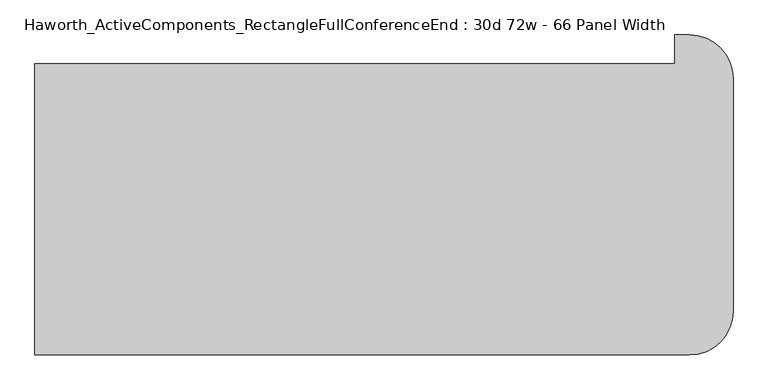
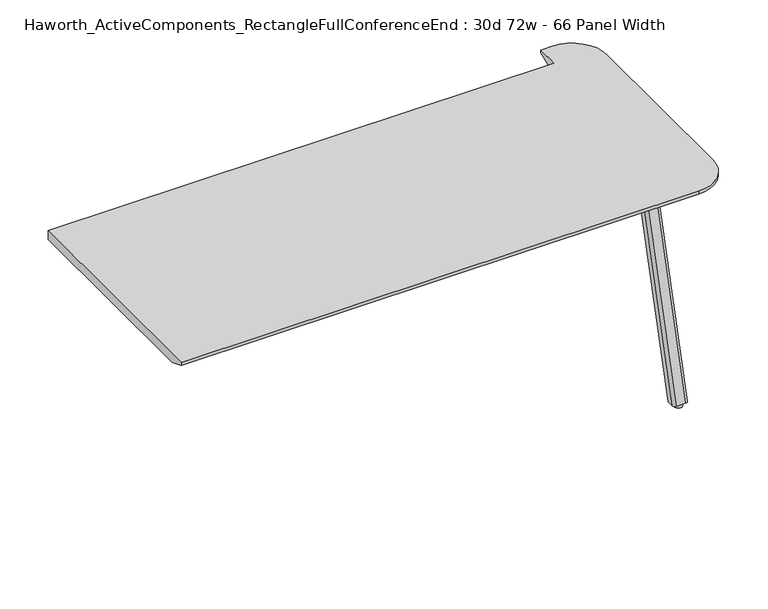
"""IFC4 building model written with IfcOpenShell, lengths in millimetres: furniture geometry, Haworth_ActiveComponents_RectangleFullConferenceEnd : 30d 72w - 66 Panel Width."""

import ifcopenshell
import ifcopenshell.guid

model = None  # the IFC model being written
_history = None  # IfcOwnerHistory: only IFC2X3 demands one
_inside = {}  # id of a spatial element -> (the spatial element, [elements in it])
_under = {}  # id of a project, library or spatial element -> (it, [spatial elements below it])
_declared = {}  # id of a project -> (the project, [libraries it declares])
_typed = {}  # id of a type object -> (the type object, [elements of that type])
_made_of = {}  # id of a material, layer set ... -> (it, [elements and type objects made of it])


def new_model(schema):
    """Start an empty IFC model of exactly this schema.

    Asked for "IFC4X3", IfcOpenShell would pick the latest addendum, in which some entities
    have other attributes; the version numbers below select the first issue.
    IFC2X3 requires an IfcOwnerHistory on every rooted entity: one is made here for all.
    """
    global model, _history
    if schema == "IFC4X3":
        model = ifcopenshell.file(schema_version=(4, 3, 0, 0))
    else:
        model = ifcopenshell.file(schema=schema)
    _inside.clear()
    _under.clear()
    _declared.clear()
    _typed.clear()
    _made_of.clear()
    _history = None
    if model.schema == "IFC2X3":
        org = make("IfcOrganization", Name="unknown")
        user = make(
            "IfcPersonAndOrganization",
            ThePerson=make("IfcPerson", FamilyName="unknown"),
            TheOrganization=org,
        )
        app = make(
            "IfcApplication",
            ApplicationDeveloper=org,
            Version="unknown",
            ApplicationFullName="unknown",
            ApplicationIdentifier="unknown",
        )
        _history = make(
            "IfcOwnerHistory",
            OwningUser=user,
            OwningApplication=app,
            ChangeAction="ADDED",
            CreationDate=0,
        )
    return model


def make(cls, **values):
    """One entity of the class cls with the attributes given. An attribute that is None is left unset."""
    return model.create_entity(
        cls, **{name: value for name, value in values.items() if value is not None}
    )


def rooted(cls, **values):
    """An entity with a GlobalId (a new one), such as an element, a storey or a relation."""
    return make(cls, GlobalId=ifcopenshell.guid.new(), OwnerHistory=_history, **values)


def si_unit(unit_type, name, prefix=None):
    """IfcSIUnit, for example si_unit("LENGTHUNIT", "METRE", prefix="MILLI")."""
    return make("IfcSIUnit", UnitType=unit_type, Prefix=prefix, Name=name)


def assignment(units):
    """IfcUnitAssignment: the units of a project."""
    return None if units is None else make("IfcUnitAssignment", Units=units)


def point(xyz):
    """IfcCartesianPoint."""
    return None if xyz is None else make("IfcCartesianPoint", Coordinates=xyz)


def direction(xyz):
    """IfcDirection."""
    return None if xyz is None else make("IfcDirection", DirectionRatios=xyz)


def frame(location, z_axis=None, x_axis=None):
    """IfcAxis2Placement3D, a coordinate frame: its origin and axes. An axis left out is left unset."""
    return make(
        "IfcAxis2Placement3D",
        Location=point(location),
        Axis=direction(z_axis),
        RefDirection=direction(x_axis),
    )


def frame_2d(location, x_axis=None):
    """IfcAxis2Placement2D, a coordinate frame in the plane: its origin and x axis."""
    return make(
        "IfcAxis2Placement2D", Location=point(location), RefDirection=direction(x_axis)
    )


def origin():
    """The frame at (0, 0, 0) with its axes left unset."""
    return frame((0.0, 0.0, 0.0))


def origin_with_axes():
    """The frame at (0, 0, 0) with the z axis (0, 0, 1) and the x axis (1, 0, 0) written out."""
    return frame((0.0, 0.0, 0.0), z_axis=(0.0, 0.0, 1.0), x_axis=(1.0, 0.0, 0.0))


def place(relative_to, where):
    """IfcLocalPlacement: puts the frame where relative to a parent placement (None: the world)."""
    return make(
        "IfcLocalPlacement", PlacementRelTo=relative_to, RelativePlacement=where
    )


def context(
    kind, dimensions, precision=None, world=None, true_north=None, identifier=None
):
    """IfcGeometricRepresentationContext, for example the 3D "Model" context."""
    return make(
        "IfcGeometricRepresentationContext",
        ContextIdentifier=identifier,
        ContextType=kind,
        CoordinateSpaceDimension=dimensions,
        Precision=precision,
        WorldCoordinateSystem=world,
        TrueNorth=true_north,
    )


def project(units=None, contexts=None):
    """IfcProject with its units and contexts."""
    return rooted(
        "IfcProject",
        Name="project",
        RepresentationContexts=contexts,
        UnitsInContext=assignment(units),
    )


def spatial(cls, under=None, at=None, **own):
    """A site, building, storey or space (cls), placed at a placement, below another one or the project."""
    s = rooted(cls, ObjectPlacement=at, **own)
    if under is not None:
        _under.setdefault(under.id(), (under, []))[1].append(s)
    return s


def polyline(points):
    """IfcPolyline through the points."""
    return make("IfcPolyline", Points=[point(p) for p in points])


def circle_curve(where, radius):
    """IfcCircle in the frame where."""
    return make("IfcCircle", Position=where, Radius=radius)


def trimmed(basis, trim1, trim2, sense, master):
    """IfcTrimmedCurve: the piece of a basis curve between two trims."""
    return make(
        "IfcTrimmedCurve",
        BasisCurve=basis,
        Trim1=trim1,
        Trim2=trim2,
        SenseAgreement=sense,
        MasterRepresentation=master,
    )


def segment(curve, same_sense, transition):
    """IfcCompositeCurveSegment."""
    return make(
        "IfcCompositeCurveSegment",
        Transition=transition,
        SameSense=same_sense,
        ParentCurve=curve,
    )


def composite_curve(segments, self_intersect=None):
    """IfcCompositeCurve: segments joined end to end."""
    return make("IfcCompositeCurve", Segments=segments, SelfIntersect=self_intersect)


def outline(outer, holes=None, kind="AREA"):
    """IfcArbitraryClosedProfileDef: a profile drawn as a closed curve; with holes, ...WithVoids."""
    if holes is None:
        return make("IfcArbitraryClosedProfileDef", ProfileType=kind, OuterCurve=outer)
    return make(
        "IfcArbitraryProfileDefWithVoids",
        ProfileType=kind,
        OuterCurve=outer,
        InnerCurves=holes,
    )


def extrude(swept, where, along, depth):
    """IfcExtrudedAreaSolid: the profile swept, set in the frame where, extruded along a direction by depth."""
    return make(
        "IfcExtrudedAreaSolid",
        SweptArea=swept,
        Position=where,
        ExtrudedDirection=direction(along),
        Depth=depth,
    )


def shape(context_of_items, identifier, shape_type, items):
    """IfcShapeRepresentation: the items that make up one representation, for example the "Body"."""
    return make(
        "IfcShapeRepresentation",
        ContextOfItems=context_of_items,
        RepresentationIdentifier=identifier,
        RepresentationType=shape_type,
        Items=items,
    )


def source(mapping_origin, context_of_items, identifier, shape_type, items):
    """IfcRepresentationMap: a shape defined once, which mapped items show again and again."""
    return make(
        "IfcRepresentationMap",
        MappingOrigin=mapping_origin,
        MappedRepresentation=shape(context_of_items, identifier, shape_type, items),
    )


def transform(
    local_origin,
    x_axis=None,
    y_axis=None,
    z_axis=None,
    scale=None,
    scale2=None,
    scale3=None,
    uniform=True,
):
    """IfcCartesianTransformationOperator3D, or its non-uniform kind. x_axis, y_axis, z_axis: its Axis1, 2, 3."""
    if uniform:
        return make(
            "IfcCartesianTransformationOperator3D",
            Axis1=direction(x_axis),
            Axis2=direction(y_axis),
            LocalOrigin=point(local_origin),
            Scale=scale,
            Axis3=direction(z_axis),
        )
    return make(
        "IfcCartesianTransformationOperator3DnonUniform",
        Axis1=direction(x_axis),
        Axis2=direction(y_axis),
        LocalOrigin=point(local_origin),
        Scale=scale,
        Axis3=direction(z_axis),
        Scale2=scale2,
        Scale3=scale3,
    )


def mapped(mapping_source, mapping_target):
    """IfcMappedItem: shows the shape of a source again, moved by a transform."""
    return make(
        "IfcMappedItem", MappingSource=mapping_source, MappingTarget=mapping_target
    )


def made_of(thing, what):
    """Note that an element or type object is made of a material, layer set ...; save() writes the relation."""
    if what is not None:
        _made_of.setdefault(what.id(), (what, []))[1].append(thing)
    return thing


def element(
    cls,
    number,
    at=None,
    inside=None,
    cuts=None,
    type_object=None,
    material=None,
    context=None,
    identifier="Body",
    shape_type=None,
    held_by="IfcProductDefinitionShape",
    body=None,
    shapes=None,
    **own,
):
    """One element of the class cls, such as IfcWall. Its Tag is "e" and its number.

    at: its placement. inside: the storey or other place that contains it. cuts: it is an
    opening in that element (IfcRelVoidsElement). A single representation is given by context,
    identifier, shape_type and body (its items); several are given by shapes. held_by: the class
    of the entity that holds the representations. save() writes the other relations.
    """
    e = rooted(cls, Tag="e%d" % number, ObjectPlacement=at, **own)
    if body is not None:
        shapes = [shape(context, identifier, shape_type, body)]
    if shapes is not None:
        e.Representation = make(held_by, Representations=shapes)
    if inside is not None:
        _inside.setdefault(inside.id(), (inside, []))[1].append(e)
    if cuts is not None:
        rooted(
            "IfcRelVoidsElement", RelatingBuildingElement=cuts, RelatedOpeningElement=e
        )
    if type_object is not None:
        _typed.setdefault(type_object.id(), (type_object, []))[1].append(e)
    return made_of(e, material)


def aggregate(whole, parts):
    """IfcRelAggregates: a whole, such as a stair, and the parts it consists of."""
    return rooted("IfcRelAggregates", RelatingObject=whole, RelatedObjects=parts)


def save(model, path):
    """Write the relations noted so far, then the file.

    IfcRelAggregates (storeys below a building ...), IfcRelContainedInSpatialStructure (elements
    in a storey), IfcRelDefinesByType, IfcRelAssociatesMaterial and IfcRelDeclares: one each for
    every whole, place, type object, material and project.
    """
    for whole, parts in _under.values():
        aggregate(whole, parts)
    for where, things in _inside.values():
        rooted(
            "IfcRelContainedInSpatialStructure",
            RelatedElements=things,
            RelatingStructure=where,
        )
    for kind, things in _typed.values():
        rooted("IfcRelDefinesByType", RelatedObjects=things, RelatingType=kind)
    for what, things in _made_of.values():
        rooted("IfcRelAssociatesMaterial", RelatedObjects=things, RelatingMaterial=what)
    for by, libraries in _declared.values():
        rooted("IfcRelDeclares", RelatingContext=by, RelatedDefinitions=libraries)
    model.write(path)


def plane_surface(at):
    """IfcPlane: the flat surface through the origin of the frame at, square to its z axis."""
    return make("IfcPlane", Position=at)


def cylinder_surface(at, radius):
    """IfcCylindricalSurface: all points at the distance radius from the z axis of the frame at."""
    return make("IfcCylindricalSurface", Position=at, Radius=radius)


def revolved_surface(curve, axis_point, axis_direction):
    """IfcSurfaceOfRevolution: the curve turned about the line through axis_point along axis_direction."""
    return make(
        "IfcSurfaceOfRevolution",
        SweptCurve=make("IfcArbitraryOpenProfileDef", ProfileType="CURVE", Curve=curve),
        AxisPosition=make("IfcAxis1Placement", Location=point(axis_point), Axis=direction(axis_direction)),
    )


def extruded_surface(curve, direction_of_extrusion, depth):
    """IfcSurfaceOfLinearExtrusion: the curve pushed along a direction by depth."""
    return make(
        "IfcSurfaceOfLinearExtrusion",
        SweptCurve=make("IfcArbitraryOpenProfileDef", ProfileType="CURVE", Curve=curve),
        ExtrudedDirection=direction(direction_of_extrusion),
        Depth=depth,
    )


def advanced_brep(points, edges, surfaces, faces):
    """IfcAdvancedBrep: a solid bounded by faces that lie on surfaces and meet in shared edges.

    An edge is (start, end): straight between two places in points (the first is 0);
    or (start, end, curve); or (start, end, curve, False) where it runs against its curve.
    A face is (place in surfaces, loops), or (place, loops, False) where it looks against
    its surface's normal. A loop lists edges by number (the first is 1), with a minus sign
    where the edge is run from its end to its start. The first loop is the outer one.
    """
    corners = [point(p) for p in points]
    vertices = [make("IfcVertexPoint", VertexGeometry=c) for c in corners]
    made = []
    for start, end, *more in edges:
        made.append(
            make(
                "IfcEdgeCurve",
                EdgeStart=vertices[start],
                EdgeEnd=vertices[end],
                EdgeGeometry=more[0] if more else make("IfcPolyline", Points=[corners[start], corners[end]]),
                SameSense=more[1] if len(more) > 1 else True,
            )
        )
    hull = []
    for where, loops, *sense in faces:
        bounds = []
        for j, loop in enumerate(loops):
            ring = [make("IfcOrientedEdge", EdgeElement=made[abs(k) - 1], Orientation=k > 0) for k in loop]
            bounds.append(
                make(
                    "IfcFaceOuterBound" if j == 0 else "IfcFaceBound",
                    Bound=make("IfcEdgeLoop", EdgeList=ring),
                    Orientation=True,
                )
            )
        hull.append(make("IfcAdvancedFace", Bounds=bounds, FaceSurface=surfaces[where], SameSense=sense[0] if sense else True))
    return make("IfcAdvancedBrep", Outer=make("IfcClosedShell", CfsFaces=hull))


def haworth_activecomponents_rectanglefullconferenceend_30d_72w_be27c09d(model_context):
    return source(origin(), model_context, "Body", "SolidModel", [
        extrude(outline(composite_curve([segment(trimmed(circle_curve(frame_2d((1209.294, -307.6605172)), 9.525), [point((1209.294, -298.1355172))], [point((1218.819, -307.6605172))], False, "CARTESIAN"), True, "CONTINUOUS"), segment(polyline([(1218.819, -307.6605172), (1218.819, -390.3338866)]), True, "CONTINUOUS"), segment(trimmed(circle_curve(frame_2d((1209.294, -390.3338866)), 9.525), [point((1218.819, -390.3338866))], [point((1209.294, -399.8588866))], False, "CARTESIAN"), True, "CONTINUOUS"), segment(polyline([(1209.294, -399.8588866), (1101.3440004, -399.8588866)]), True, "CONTINUOUS"), segment(trimmed(circle_curve(frame_2d((1101.3440004, -390.3338866)), 9.525), [point((1101.3440004, -399.8588866))], [point((1091.8190004, -390.3338866))], False, "CARTESIAN"), True, "CONTINUOUS"), segment(polyline([(1091.8190004, -390.3338866), (1091.8190004, -307.6605172)]), True, "CONTINUOUS"), segment(trimmed(circle_curve(frame_2d((1101.3440004, -307.6605172)), 9.525), [point((1091.8190004, -307.6605172))], [point((1101.3440004, -298.1355172))], False, "CARTESIAN"), True, "CONTINUOUS"), segment(polyline([(1101.3440004, -298.1355172), (1209.294, -298.1355172)]), True, "CONTINUOUS")], self_intersect=False)), frame((0.0, 0.0, 705.2055742), z_axis=(0.0, 0.0, 1.0), x_axis=(1.0, 0.0, 0.0)), (0.0, 0.0, 1.0), 5.9944258),
        advanced_brep(
        [(1203.325, -392.6347266, 705.2055742), (1212.85, -383.1097266, 705.2055742), (1212.85, -362.4722266, 705.2055742), (1162.05, -362.4722266, 705.2055742), (1162.05, -383.1097266, 705.2055742), (1171.575, -392.6347266, 705.2055742), (1203.325, -579.1230172, 12.7), (1171.575, -579.1230172, 12.7), (1162.05, -569.5980172, 12.7), (1162.05, -548.9605172, 12.7), (1212.85, -548.9605172, 12.7), (1212.85, -569.5980172, 12.7)],
        [
            (0, 1, circle_curve(frame((1203.325, -383.1097266, 705.2055742), z_axis=(0.0, 0.0, 1.0), x_axis=(1.0, 0.0, 0.0)), 9.525)),
            (1, 2),
            (2, 3),
            (3, 4),
            (4, 5, circle_curve(frame((1171.575, -383.1097266, 705.2055742), z_axis=(0.0, 0.0, 1.0), x_axis=(1.0, 0.0, 0.0)), 9.525)),
            (5, 0),
            (6, 7),
            (7, 8, circle_curve(frame((1171.575, -569.5980172, 12.7), z_axis=(0.0, 0.0, -1.0), x_axis=(1.0, 0.0, 0.0)), 9.525)),
            (8, 9),
            (9, 10),
            (10, 11),
            (11, 6, circle_curve(frame((1203.325, -569.5980172, 12.7), z_axis=(0.0, 0.0, -1.0), x_axis=(1.0, 0.0, 0.0)), 9.525)),
            (11, 1),
            (0, 6),
            (10, 2),
            (9, 3),
            (8, 4),
            (7, 5),
        ],
        [
            plane_surface(frame((1187.45, -379.4055599, 705.2055742), z_axis=(0.0, 0.0, 1.0), x_axis=(-1.0, 0.0, 0.0))),
            plane_surface(frame((1187.45, -565.8938506, 12.7), z_axis=(0.0, 0.0, -1.0), x_axis=(-1.0, 0.0, 0.0))),
            extruded_surface(trimmed(circle_curve(frame((1203.325, -569.5980172, 12.7), z_axis=(0.0, 0.0, 1.0), x_axis=(1.0, 0.0, 0.0)), 9.525), [point((1203.325, -579.1230172, 12.7))], [point((1212.85, -569.5980172, 12.7))], True, "CARTESIAN"), (0.0, 186.48829059999997, 692.5055742), 717.1763052618105),
            plane_surface(frame((1212.85, -559.2792672, 12.7), z_axis=(1.0, 0.0, 0.0), x_axis=(0.0, 1.0, 0.0))),
            plane_surface(frame((1187.45, -548.9605172, 12.7), z_axis=(0.0, 0.9656001865922422, -0.260031305140414), x_axis=(-1.0, 0.0, 0.0))),
            plane_surface(frame((1162.05, -559.2792672, 12.7), z_axis=(-1.0, 0.0, 0.0), x_axis=(0.0, -1.0, 0.0))),
            extruded_surface(trimmed(circle_curve(frame((1171.575, -569.5980172, 12.7), z_axis=(0.0, 0.0, 1.0), x_axis=(1.0, 0.0, 0.0)), 9.525), [point((1162.05, -569.5980172, 12.7))], [point((1171.575, -579.1230172, 12.7))], True, "CARTESIAN"), (0.0, 186.48829059999997, 692.5055742), 717.1763052618105),
            plane_surface(frame((1187.45, -579.1230172, 12.7), z_axis=(0.0, -0.9656001865922422, 0.260031305140414), x_axis=(1.0, 0.0, 0.0))),
        ],
        [
            (0, [[1, 2, 3, 4, 5, 6]]),
            (1, [[7, 8, 9, 10, 11, 12]]),
            (2, [[-12, 13, -1, 14]]),
            (3, [[-11, 15, -2, -13]]),
            (4, [[-10, 16, -3, -15]]),
            (5, [[-9, 17, -4, -16]]),
            (6, [[-8, 18, -5, -17]]),
            (7, [[-7, -14, -6, -18]]),
        ],
    ),
        extrude(outline(composite_curve([segment(trimmed(circle_curve(frame_2d((1187.45, -563.2480172)), 12.7), [point((1174.75, -563.2480172))], [point((1200.15, -563.2480172))], False, "CARTESIAN"), True, "CONTINUOUS"), segment(trimmed(circle_curve(frame_2d((1187.45, -563.2480172)), 12.7), [point((1200.15, -563.2480172))], [point((1174.75, -563.2480172))], False, "CARTESIAN"), True, "CONTINUOUS")], self_intersect=False)), origin_with_axes(), (0.0, 0.0, 1.0), 12.7),
        advanced_brep(
        [(1206.5, 181.2465234, 741.3625), (-469.9, 181.2465234, 741.3625), (-469.9, -580.7534766, 741.3625), (1244.6, -580.7534766, 741.3625), (1358.9, -466.4534766, 741.3625), (1358.9, 143.1465234, 741.3625), (1244.6, 257.4465234, 741.3625), (1206.5, 257.4465234, 741.3625), (-469.9, 181.2465234, 711.2), (1206.5, 181.2465234, 711.2), (1206.5, 206.6465234, 711.2), (1244.6, 206.6465234, 711.2), (1308.1, 143.1465234, 711.2), (1308.1, -466.4534766, 711.2), (1244.6, -529.9534766, 711.2), (-469.9, -529.9534766, 711.2), (-469.9, -580.7534766, 731.8375), (1244.6, -580.7534766, 731.8375), (1358.9, -466.4534766, 731.8375), (1358.9, 143.1465234, 731.8375), (1244.6, 257.4465234, 731.8375), (1206.5, 257.4465234, 731.8375)],
        [
            (0, 1),
            (1, 2),
            (2, 3),
            (3, 4, circle_curve(frame((1244.6, -466.4534766, 741.3625), z_axis=(0.0, 0.0, 1.0), x_axis=(1.0, 0.0, 0.0)), 114.3)),
            (4, 5),
            (5, 6, circle_curve(frame((1244.6, 143.1465234, 741.3625), z_axis=(0.0, 0.0, 1.0), x_axis=(1.0, 0.0, 0.0)), 114.3)),
            (6, 7),
            (7, 0),
            (8, 9),
            (9, 10),
            (10, 11),
            (11, 12, circle_curve(frame((1244.6, 143.1465234, 711.2), z_axis=(0.0, 0.0, -1.0), x_axis=(1.0, 0.0, 0.0)), 63.5)),
            (12, 13),
            (13, 14, circle_curve(frame((1244.6, -466.4534766, 711.2), z_axis=(0.0, 0.0, -1.0), x_axis=(0.0, -1.0, 0.0)), 63.5)),
            (14, 15),
            (15, 8),
            (0, 9),
            (8, 1),
            (15, 16),
            (16, 2),
            (16, 17),
            (17, 3),
            (4, 18),
            (18, 19),
            (19, 5),
            (17, 18, circle_curve(frame((1244.6, -466.4534766, 731.8375), z_axis=(0.0, 0.0, 1.0), x_axis=(1.0, 0.0, 0.0)), 114.3)),
            (6, 20),
            (20, 21),
            (21, 7),
            (21, 10),
            (14, 17),
            (13, 18),
            (12, 19),
            (11, 20),
            (20, 19, circle_curve(frame((1244.6, 143.1465234, 731.8375), z_axis=(0.0, 0.0, -1.0), x_axis=(1.0, 0.0, 0.0)), 114.3)),
        ],
        [
            plane_surface(frame((-469.9, 181.2465234, 741.3625), z_axis=(0.0, 0.0, 1.0), x_axis=(-1.0, 0.0, 0.0))),
            plane_surface(frame((-469.9, 181.2465234, 711.2), z_axis=(0.0, 0.0, -1.0), x_axis=(1.0, 0.0, 0.0))),
            plane_surface(frame((1206.5, 181.2465234, 741.3625), z_axis=(0.0, 1.0, 0.0), x_axis=(0.0, 0.0, -1.0))),
            plane_surface(frame((-469.9, 181.2465234, 741.3625), z_axis=(-1.0, 0.0, 0.0), x_axis=(0.0, 0.0, -1.0))),
            plane_surface(frame((-469.9, -580.7534766, 741.3625), z_axis=(0.0, -1.0, 0.0), x_axis=(0.0, 0.0, -1.0))),
            plane_surface(frame((1358.9, -466.4534766, 741.3625), z_axis=(1.0, 0.0, 0.0), x_axis=(0.0, 0.0, -1.0))),
            cylinder_surface(frame((1244.6, -466.4534766, 711.2), z_axis=(0.0, 0.0, 1.0), x_axis=(1.0, 0.0, 0.0)), 114.3),
            plane_surface(frame((1244.6, 257.4465234, 741.3625), z_axis=(0.0, 1.0, 0.0), x_axis=(0.0, 0.0, -1.0))),
            plane_surface(frame((1206.5, 257.4465234, 741.3625), z_axis=(-1.0, 0.0, 0.0), x_axis=(0.0, 0.0, -1.0))),
            plane_surface(frame((-469.9, -580.7534766, 731.8375), z_axis=(0.0, -0.3763770469576607, -0.9264665771216094), x_axis=(1.0, 0.0, 0.0))),
            revolved_surface(polyline([(1244.6, -529.9534766, 711.2), (1244.6, -580.7534766, 731.8375)]), (1244.6, -466.4534766, 0.0), (0.0, 0.0, 1.0)),
            plane_surface(frame((1358.9, -466.4534766, 731.8375), z_axis=(0.3763770469576607, 0.0, -0.9264665771216094), x_axis=(0.0, 1.0, 0.0))),
            revolved_surface(polyline([(1308.1, 143.1465234, 711.2), (1358.9, 143.1465234, 731.8375)]), (1244.6, 143.1465234, 0.0), (0.0, 0.0, 1.0)),
            plane_surface(frame((1244.6, 257.4465234, 731.8375), z_axis=(0.0, 0.3763770469576607, -0.9264665771216094), x_axis=(-1.0, 0.0, 0.0))),
            cylinder_surface(frame((1244.6, 143.1465234, 711.2), z_axis=(0.0, 0.0, 1.0), x_axis=(1.0, 0.0, 0.0)), 114.3),
        ],
        [
            (0, [[1, 2, 3, 4, 5, 6, 7, 8]]),
            (1, [[9, 10, 11, 12, 13, 14, 15, 16]]),
            (2, [[-1, 17, -9, 18]]),
            (3, [[-2, -18, -16, 19, 20]]),
            (4, [[-3, -20, 21, 22]]),
            (5, [[-5, 23, 24, 25]]),
            (6, [[-4, -22, 26, -23]]),
            (7, [[-7, 27, 28, 29]]),
            (8, [[-8, -29, 30, -10, -17]]),
            (9, [[31, -21, -19, -15]]),
            (10, [[-31, -14, 32, -26]]),
            (11, [[-32, -13, 33, -24]]),
            (12, [[-33, -12, 34, 35]]),
            (13, [[-34, -11, -30, -28]]),
            (14, [[-6, -25, -35, -27]]),
        ],
    ),
    ])


if __name__ == "__main__":
    model = new_model("IFC4")
    model_context = context("Model", 3, world=origin())
    ifc_project = project(units=[si_unit("LENGTHUNIT", "METRE", prefix="MILLI")], contexts=[model_context])
    site = spatial("IfcSite", under=ifc_project)
    building = spatial("IfcBuilding", under=site)
    placement = place(None, origin())
    haworth_activecomponents_rectanglefullconferenceend_30d_72w_shape = haworth_activecomponents_rectanglefullconferenceend_30d_72w_be27c09d(model_context)
    element("IfcFurniture", 1, ObjectType="Haworth_ActiveComponents_RectangleFullConferenceEnd : 30d 72w - 66 Panel Width", at=placement, inside=building, context=model_context, shape_type="MappedRepresentation", body=[
        mapped(haworth_activecomponents_rectanglefullconferenceend_30d_72w_shape, transform((0.0, 0.0, 0.0), x_axis=(1.0, 0.0, 0.0), y_axis=(0.0, 1.0, 0.0), z_axis=(0.0, 0.0, 1.0))),
    ])
    save(model, "model.ifc")
